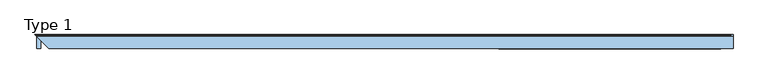
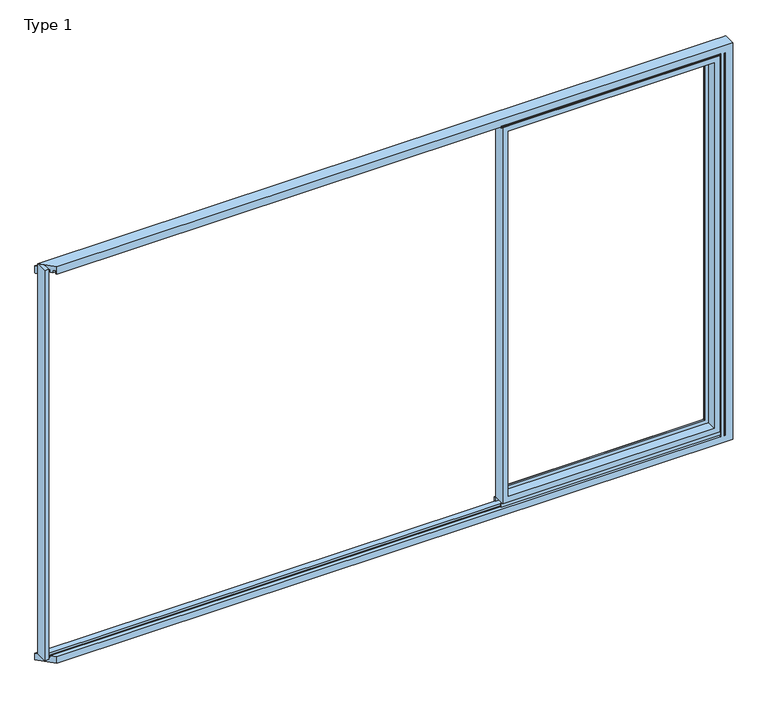
"""IFC4 building model written with IfcOpenShell, lengths in millimetres: window geometry, Type 1."""

from ifc_helpers import new_model, si_unit, point, frame, frame_2d, origin, origin_with_axes, place, context, project, spatial, polyline, circle_curve, ellipse_curve, trimmed, segment, composite_curve, outline, extrude, source, transform, mapped, element, save
from ifc_brep_helpers import plane_surface, cylinder_surface, advanced_brep


def type_1_49c6fb87(model_context):
    return source(origin(), model_context, "Body", "SolidModel", [
        advanced_brep(
        [(1912.8, -70.0, 2337.0), (1912.8, -70.0, 34.0), (1912.8, 0.0, 34.0), (1912.8, 0.0, 2337.0), (654.4, -70.0, 34.0), (654.4, 0.0, 34.0), (654.4, 0.0, 2337.0), (703.8991901, 0.0, 83.4991901), (1863.3008099, 0.0, 83.4991901), (1863.3008099, 0.0, 2287.5008099), (703.8991901, 0.0, 2287.5008099), (654.4, -70.0, 2337.0), (1880.8, -70.0, 66.0), (686.4, -70.0, 66.0), (686.4, -70.0, 2305.0), (1880.8, -70.0, 2305.0), (1880.8, -13.999939, 2305.0), (1880.8, -13.999939, 66.0), (686.4, -13.999939, 66.0), (686.4, -13.999939, 2305.0), (1858.8004272, -13.999939, 87.9995728), (708.3995728, -13.999939, 87.9995728), (708.3995728, -13.999939, 2283.0004272), (1858.8004272, -13.999939, 2283.0004272), (1858.8004272, -4.5004435, 2283.0004272), (1858.8004272, -4.5004435, 87.9995728), (708.3995728, -4.5004435, 87.9995728), (708.3995728, -4.5004435, 2283.0004272)],
        [
            (0, 1),
            (1, 2),
            (2, 3),
            (3, 0),
            (1, 4),
            (4, 5),
            (5, 2),
            (5, 6),
            (6, 3),
            (7, 8),
            (8, 9),
            (9, 10),
            (10, 7),
            (4, 11),
            (11, 6),
            (0, 11),
            (12, 13),
            (13, 14),
            (14, 15),
            (15, 12),
            (16, 17),
            (17, 12),
            (15, 16),
            (17, 18),
            (18, 13),
            (18, 19),
            (19, 14),
            (16, 19),
            (20, 21),
            (21, 22),
            (22, 23),
            (23, 20),
            (24, 25),
            (25, 20),
            (23, 24),
            (25, 26),
            (26, 21),
            (26, 27),
            (27, 22),
            (7, 26, ellipse_curve(frame((703.8991901, -4.5004435, 83.4991901), z_axis=(0.7071067811865475, 0.0, -0.7071067811865475), x_axis=(0.7071067811865476, 0.0, 0.7071067811865474)), 6.3645023, 4.5003827)),
            (25, 8, ellipse_curve(frame((1863.3008099, -4.5004435, 83.4991901), z_axis=(-0.7071067811865475, 0.0, -0.7071067811865475), x_axis=(0.7071067811865476, 0.0, -0.7071067811865474)), 6.3645023, 4.5003827)),
            (24, 9, ellipse_curve(frame((1863.3008099, -4.5004435, 2287.5008099), z_axis=(0.7071067811865475, 0.0, -0.7071067811865475), x_axis=(0.7071067811865474, 0.0, 0.7071067811865476)), 6.3645023, 4.5003827)),
            (10, 27, ellipse_curve(frame((703.8991901, -4.5004435, 2287.5008099), z_axis=(-0.7071067811865475, 0.0, -0.7071067811865475), x_axis=(0.7071067811865474, 0.0, -0.7071067811865476)), 6.3645023, 4.5003827)),
            (27, 24),
        ],
        [
            plane_surface(frame((1912.8, 0.0, 2337.0), z_axis=(1.0, 0.0, 0.0), x_axis=(0.0, 0.0, -1.0))),
            plane_surface(frame((1912.8, 0.0, 34.0), z_axis=(0.0, 0.0, -1.0), x_axis=(-1.0, 0.0, 0.0))),
            plane_surface(frame((1863.3008099, 0.0, 2287.5008099), z_axis=(0.0, 1.0, 0.0), x_axis=(0.0, 0.0, -1.0))),
            plane_surface(frame((654.4, 0.0, 34.0), z_axis=(-1.0, 0.0, 0.0), x_axis=(0.0, 0.0, 1.0))),
            plane_surface(frame((1912.8, -70.0, 2337.0), z_axis=(0.0, -1.0, 0.0), x_axis=(0.0, 0.0, -1.0))),
            plane_surface(frame((1880.8, -70.0, 2305.0), z_axis=(-1.0, 0.0, 0.0), x_axis=(0.0, 0.0, -1.0))),
            plane_surface(frame((1880.8, -70.0, 66.0), z_axis=(0.0, 0.0, 1.0), x_axis=(-1.0, 0.0, 0.0))),
            plane_surface(frame((686.4, -70.0, 66.0), z_axis=(1.0, 0.0, 0.0), x_axis=(0.0, 0.0, 1.0))),
            plane_surface(frame((1880.8, -13.999939, 2305.0), z_axis=(0.0, -1.0, 0.0), x_axis=(0.0, 0.0, -1.0))),
            plane_surface(frame((1858.8004272, -13.999939, 2283.0004272), z_axis=(-1.0, 0.0, 0.0), x_axis=(0.0, 0.0, -1.0))),
            plane_surface(frame((1858.8004272, -13.999939, 87.9995728), z_axis=(0.0, 0.0, 1.0), x_axis=(-1.0, 0.0, 0.0))),
            plane_surface(frame((708.3995728, -13.999939, 87.9995728), z_axis=(1.0, 0.0, 0.0), x_axis=(0.0, 0.0, 1.0))),
            cylinder_surface(frame((1918.8, -4.5004435, 83.4991901), z_axis=(1.0, 0.0, 0.0), x_axis=(0.0, -1.0, 0.0)), 4.5003827),
            cylinder_surface(frame((1863.3008099, -4.5004435, 2343.0), z_axis=(0.0, 0.0, 1.0), x_axis=(0.0, -1.0, 0.0)), 4.5003827),
            cylinder_surface(frame((703.8991901, -4.5004435, 28.0), z_axis=(0.0, 0.0, -1.0), x_axis=(0.0, -1.0, 0.0)), 4.5003827),
            plane_surface(frame((654.4, 0.0, 2337.0), z_axis=(0.0, 0.0, 1.0), x_axis=(1.0, 0.0, 0.0))),
            plane_surface(frame((686.4, -70.0, 2305.0), z_axis=(0.0, 0.0, -1.0), x_axis=(1.0, 0.0, 0.0))),
            plane_surface(frame((708.3995728, -13.999939, 2283.0004272), z_axis=(0.0, 0.0, -1.0), x_axis=(1.0, 0.0, 0.0))),
            cylinder_surface(frame((648.4, -4.5004435, 2287.5008099), z_axis=(-1.0, 0.0, 0.0), x_axis=(0.0, -1.0, 0.0)), 4.5003827),
        ],
        [
            (0, [[1, 2, 3, 4]]),
            (1, [[5, 6, 7, -2]]),
            (2, [[-7, 8, 9, -3], [10, 11, 12, 13]]),
            (3, [[14, 15, -8, -6]]),
            (4, [[-5, -1, 16, -14], [17, 18, 19, 20]]),
            (5, [[21, 22, -20, 23]]),
            (6, [[24, 25, -17, -22]]),
            (7, [[26, 27, -18, -25]]),
            (8, [[-24, -21, 28, -26], [29, 30, 31, 32]]),
            (9, [[33, 34, -32, 35]]),
            (10, [[36, 37, -29, -34]]),
            (11, [[38, 39, -30, -37]]),
            (12, [[-10, 40, -36, 41]]),
            (13, [[-11, -41, -33, 42]]),
            (14, [[-13, 43, -38, -40]]),
            (15, [[-16, -4, -9, -15]]),
            (16, [[-28, -23, -19, -27]]),
            (17, [[44, -35, -31, -39]]),
            (18, [[-12, -42, -44, -43]]),
        ],
    ),
        extrude(outline(polyline([(1918.8, -7.6000076), (648.4, -7.6000076), (648.4, 0.0), (1918.8, 0.0), (1918.8, -7.6000076)])), frame((0.0, 0.0, 12.0), z_axis=(0.0, 0.0, 1.0), x_axis=(1.0, 0.0, 0.0)), (0.0, 0.0, 1.0), 22.0),
        extrude(outline(polyline([(1918.8, -70.0), (648.4, -70.0), (648.4, -62.2757497), (1918.8, -62.2757497), (1918.8, -70.0)])), frame((0.0, 0.0, 12.0), z_axis=(0.0, 0.0, 1.0), x_axis=(1.0, 0.0, 0.0)), (0.0, 0.0, 1.0), 22.0),
        extrude(outline(composite_curve([segment(polyline([(-52.044326, 2339.1400778), (-52.044326, 2337.0), (-70.0, 2337.0), (-71.8735116, 2343.9547971)]), True, "CONTINUOUS"), segment(trimmed(circle_curve(frame_2d((-69.9423544, 2344.4750201)), 2.0), [point((-71.8735116, 2343.9547971))], [point((-71.8738669, 2344.9939222))], False, "CARTESIAN"), True, "CONTINUOUS"), segment(polyline([(-71.8738669, 2344.9939222), (-70.8937897, 2348.6420698), (-70.0, 2348.6420698), (-70.0, 2342.963961), (-68.6363596, 2339.1400778), (-52.044326, 2339.1400778)]), True, "CONTINUOUS")], self_intersect=False)), frame((648.4, 0.0, 0.0), z_axis=(1.0, 0.0, 0.0), x_axis=(0.0, 1.0, 0.0)), (0.0, 0.0, 1.0), 1270.4),
        advanced_brep(
        [(1940.0003662, -66.4999084, 2345.0), (1940.0003662, -66.4999084, 0.0), (1945.0, -66.4999084, 0.0007157), (1945.0, -66.4999084, 2345.0), (1940.0003662, -70.0, 2345.0), (1940.0003662, -70.0, 0.0), (1918.7961345, -70.0, 0.0), (1918.7961345, -70.0, 2345.0), (1918.7961345, -66.5, 2345.0), (1918.7961345, -66.5, 2365.9997864), (1918.7961345, -55.8499756, 2365.9997864), (1918.7961345, -55.8499756, 2349.000061), (1918.7961345, -46.25, 2349.000061), (1918.7961345, -46.25, 2365.9997864), (1918.7961345, -23.7500839, 2365.9997864), (1918.7961345, -23.7500839, 2349.000061), (1918.7961345, -14.1501312, 2349.000061), (1918.7961345, -14.1501312, 2365.9997864), (1918.7961345, 0.0, 2365.9997864), (1918.7961345, 0.0, 2330.0000916), (1918.7961345, 0.0, 0.0), (1918.7961345, -23.7500783, 0.0007157), (1918.7961345, -46.249995, 0.0007157), (1930.0000916, 0.0, 2330.0000916), (1930.0000916, 0.0, 0.0), (1990.0, -23.7493391, 0.0), (1990.0, -46.2493391, 0.0), (1990.0, 0.0, 0.0), (1990.0, 0.0, 2390.0), (1990.0, -70.0, 2390.0), (1990.0, -70.0, -40.0), (1990.0, 9.9999847, -40.0), (1990.0, 9.9999847, 0.0007157), (1990.0, -23.7493391, -13.4), (1990.0, -46.2493391, -13.4), (-1930.0005233, -70.0, 2345.0), (-1930.0005233, -70.0, 0.0006977), (-1930.0005233, -70.0, -40.0), (-1930.0005233, -70.0, 2390.0), (1945.0, -70.0, 2345.0), (1945.0, -70.0, 0.0), (-1953.7511715, -46.2493518, 0.0007157), (-1953.7505233, -46.25, -13.4), (-1976.2511842, -23.7493391, -13.4), (-1976.2504393, -23.7500839, 0.0007061), (-2010.000508, 9.9999847, 0.0007157), (-2010.000508, 9.9999847, -40.0), (-2000.0005233, 0.0, 2390.0), (-2000.0005233, 0.0, 2377.999939), (-2005.500508, 5.4999847, 2377.999939), (-2010.000508, 9.9999847, 2373.499939), (-2010.000508, 9.9999847, 2332.5000916), (-2007.500508, 7.4999847, 2330.0000916), (-2000.0005233, 0.0, 2330.0000916), (-2000.0005233, 0.0, 2365.9997864), (-1985.850392, -14.1501312, 2365.9997864), (-1985.850392, -14.1501312, 2349.000061), (-1976.2504393, -23.7500839, 2349.000061), (-1976.2504393, -23.7500839, 2365.9997864), (-1953.7505233, -46.25, 2365.9997864), (-1953.7505233, -46.25, 2349.000061), (-1944.1505477, -55.8499756, 2349.000061), (-1944.1505477, -55.8499756, 2365.9997864), (-1933.5005233, -66.5, 2365.9997864), (-1933.5005233, -66.5, 2345.0), (1932.5000916, 9.9999847, 0.0), (1932.5000916, 9.9999847, 2332.5000916), (1973.499939, 9.9999847, 2373.499939), (1973.499939, 9.9999847, 0.0), (1977.999939, 5.4999847, 2377.999939), (1977.999939, 5.4999847, 0.0), (1977.999939, 0.0, 2377.999939), (1977.999939, 0.0, 0.0), (1965.9997864, 0.0, 2377.999939), (1918.7961345, 0.0, 2377.999939), (1918.7961345, 0.0, 2390.0), (1965.9997864, 0.0, 2390.0), (1930.0000916, 7.4999847, 0.0), (1930.0000916, 7.4999847, 2330.0000916)],
        [
            (0, 1),
            (1, 2),
            (2, 3),
            (3, 0),
            (0, 4),
            (4, 5),
            (5, 1),
            (6, 7),
            (7, 8),
            (8, 9),
            (9, 10),
            (10, 11),
            (11, 12),
            (12, 13),
            (13, 14),
            (14, 15),
            (15, 16),
            (16, 17),
            (17, 18),
            (18, 19),
            (19, 20),
            (20, 21),
            (21, 22),
            (22, 6),
            (19, 23),
            (23, 24),
            (24, 20),
            (25, 26),
            (26, 22),
            (21, 25),
            (27, 28),
            (28, 29),
            (29, 30),
            (30, 31),
            (31, 32),
            (32, 27),
            (25, 33),
            (33, 34),
            (34, 26),
            (35, 7),
            (6, 36),
            (36, 37),
            (37, 30),
            (29, 38),
            (38, 35),
            (39, 40),
            (40, 5),
            (4, 39),
            (39, 3),
            (2, 40),
            (36, 41),
            (41, 42),
            (42, 43),
            (43, 44),
            (44, 45),
            (45, 46),
            (46, 37),
            (47, 48),
            (48, 49),
            (49, 50, ellipse_curve(frame((-2005.500508, 5.4999847, 2373.499939), z_axis=(-0.7071067811865475, -0.7071067811865476, 0.0), x_axis=(0.7071067811865476, -0.7071067811865475, 0.0)), 6.363961, 4.5)),
            (50, 51),
            (51, 52, ellipse_curve(frame((-2007.500508, 7.4999847, 2332.5000916), z_axis=(-0.7071067811865475, -0.7071067811865476, 0.0), x_axis=(0.7071067811865476, -0.7071067811865475, 0.0)), 3.5355339, 2.5)),
            (52, 53),
            (53, 54),
            (54, 55),
            (55, 56),
            (56, 57),
            (57, 58),
            (58, 59),
            (59, 60),
            (60, 61),
            (61, 62),
            (62, 63),
            (63, 64),
            (64, 35),
            (38, 47),
            (65, 66),
            (66, 51),
            (50, 67),
            (67, 68),
            (68, 32),
            (31, 46),
            (45, 65),
            (67, 69, ellipse_curve(frame((1973.499939, 5.4999847, 2373.499939), z_axis=(0.7071067811865422, 0.0, -0.7071067811865527), x_axis=(-0.7071067811865525, 0.0, -0.7071067811865425)), 6.363961, 4.5)),
            (69, 70),
            (70, 68, circle_curve(frame((1973.499939, 5.4999847, 0.0007157), z_axis=(0.0, 0.0, 1.0), x_axis=(-1.0, 0.0, 0.0)), 4.5)),
            (71, 72),
            (72, 70),
            (69, 71),
            (71, 73),
            (73, 74),
            (74, 48),
            (47, 75),
            (75, 76),
            (76, 28),
            (27, 72),
            (22, 41),
            (59, 13),
            (12, 60),
            (34, 42),
            (33, 43),
            (57, 15),
            (14, 58),
            (21, 44),
            (55, 17),
            (16, 56),
            (53, 19),
            (18, 54),
            (77, 78),
            (78, 66, ellipse_curve(frame((1932.5000916, 7.4999847, 2332.5000916), z_axis=(0.7071067811865422, 0.0, -0.7071067811865527), x_axis=(-0.7071067811865525, 0.0, -0.7071067811865425)), 3.5355339, 2.5)),
            (65, 77, circle_curve(frame((1932.5000916, 7.4999847, 0.0007157), z_axis=(0.0, 0.0, 1.0), x_axis=(-1.0, 0.0, 0.0)), 2.5)),
            (23, 78),
            (77, 24),
            (69, 49),
            (64, 8),
            (63, 9),
            (62, 10),
            (61, 11),
            (52, 78),
        ],
        [
            plane_surface(frame((1940.0003662, -66.4999084, 2390.0), z_axis=(0.0, -1.0, 0.0), x_axis=(0.0, 0.0, -1.0))),
            plane_surface(frame((1940.0003662, -70.0, 2390.0), z_axis=(1.0, 0.0, 0.0), x_axis=(0.0, 0.0, -1.0))),
            plane_surface(frame((1918.7961345, 0.0, 2390.0), z_axis=(-1.0, 0.0, 0.0), x_axis=(0.0, 0.0, -1.0))),
            plane_surface(frame((1965.9997864, 0.0, 2390.0), z_axis=(0.0, 1.0, 0.0), x_axis=(0.0, 0.0, -1.0))),
            plane_surface(frame((1990.0, -70.0, 0.0), z_axis=(0.0, 0.0, -1.0), x_axis=(0.0, -1.0, 0.0))),
            plane_surface(frame((1990.0, 0.0, 0.0), z_axis=(1.0, 0.0, 0.0), x_axis=(0.0, 0.0, 1.0))),
            plane_surface(frame((1990.0, -70.0, 0.0), z_axis=(0.0, -1.0, 0.0), x_axis=(0.0, 0.0, 1.0))),
            plane_surface(frame((1945.0, -70.0, 0.0), z_axis=(-1.0, 0.0, 0.0), x_axis=(0.0, 0.0, 1.0))),
            plane_surface(frame((-1904.5411078, -95.4594155, 2390.0), z_axis=(-0.7071067811865475, -0.7071067811865476, 0.0), x_axis=(0.0, 0.0, -1.0))),
            plane_surface(frame((1932.5000916, 9.9999847, 0.0), z_axis=(0.0, 1.0, 0.0), x_axis=(0.0, 0.0, 1.0))),
            cylinder_surface(frame((1973.499939, 5.4999847, 0.0), z_axis=(0.0, 0.0, -1.0), x_axis=(-1.0, 0.0, 0.0)), 4.5),
            plane_surface(frame((1977.999939, 5.4999847, 0.0), z_axis=(1.0, 0.0, 0.0), x_axis=(0.0, 0.0, 1.0))),
            plane_surface(frame((1977.999939, 0.0, 0.0), z_axis=(0.0, 1.0, 0.0), x_axis=(0.0, 0.0, 1.0))),
            plane_surface(frame((1990.0, -46.2493391, 0.0007157), z_axis=(0.0, 0.0, 1.0), x_axis=(-1.0, 0.0, 0.0))),
            plane_surface(frame((1949.000061, -46.25, 0.0), z_axis=(0.0, 1.0, 0.0), x_axis=(0.0, 0.0, 1.0))),
            plane_surface(frame((1990.0, -23.7493391, -13.4), z_axis=(0.0, 0.0, 1.0), x_axis=(-1.0, 0.0, 0.0))),
            plane_surface(frame((1965.9997864, -23.7500839, 0.0), z_axis=(0.0, -1.0, 0.0), x_axis=(0.0, 0.0, 1.0))),
            plane_surface(frame((1949.000061, -14.1501312, 0.0), z_axis=(0.0, 1.0, 0.0), x_axis=(0.0, 0.0, 1.0))),
            plane_surface(frame((1965.9997864, 0.0, 0.0), z_axis=(0.0, -1.0, 0.0), x_axis=(0.0, 0.0, 1.0))),
            cylinder_surface(frame((1932.5000916, 7.4999847, 0.0), z_axis=(0.0, 0.0, -1.0), x_axis=(-1.0, 0.0, 0.0)), 2.5),
            plane_surface(frame((1930.0000916, 0.0, 0.0), z_axis=(-1.0, 0.0, 0.0), x_axis=(0.0, 0.0, 1.0))),
            plane_surface(frame((1977.999939, 5.4999847, 2377.999939), z_axis=(0.0, 0.0, 1.0), x_axis=(-1.0, 0.0, 0.0))),
            plane_surface(frame((1990.0, 0.0, 2390.0), z_axis=(0.0, 0.0, 1.0), x_axis=(-1.0, 0.0, 0.0))),
            plane_surface(frame((1945.0, -70.0, 2345.0), z_axis=(0.0, 0.0, -1.0), x_axis=(-1.0, 0.0, 0.0))),
            plane_surface(frame((1945.0, -66.5, 0.0), z_axis=(0.0, 1.0, 0.0), x_axis=(0.0, 0.0, 1.0))),
            plane_surface(frame((1965.9997864, -66.5, 2365.9997864), z_axis=(0.0, 0.0, -1.0), x_axis=(-1.0, 0.0, 0.0))),
            plane_surface(frame((1965.9997864, -55.8499756, 0.0), z_axis=(0.0, -1.0, 0.0), x_axis=(0.0, 0.0, 1.0))),
            plane_surface(frame((1949.000061, -55.8499756, 2349.000061), z_axis=(0.0, 0.0, -1.0), x_axis=(-1.0, 0.0, 0.0))),
            plane_surface(frame((1965.9997864, -46.25, 2365.9997864), z_axis=(0.0, 0.0, -1.0), x_axis=(-1.0, 0.0, 0.0))),
            plane_surface(frame((1949.000061, -23.7500839, 2349.000061), z_axis=(0.0, 0.0, -1.0), x_axis=(-1.0, 0.0, 0.0))),
            plane_surface(frame((1965.9997864, -14.1501312, 2365.9997864), z_axis=(0.0, 0.0, -1.0), x_axis=(-1.0, 0.0, 0.0))),
            plane_surface(frame((1930.0000916, 0.0, 2330.0000916), z_axis=(0.0, 0.0, -1.0), x_axis=(-1.0, 0.0, 0.0))),
            cylinder_surface(frame((1990.0, 7.4999847, 2332.5000916), z_axis=(1.0, 0.0, 0.0), x_axis=(0.0, 0.0, -1.0)), 2.5),
            cylinder_surface(frame((1990.0, 5.4999847, 2373.499939), z_axis=(1.0, 0.0, 0.0), x_axis=(0.0, 0.0, -1.0)), 4.5),
            plane_surface(frame((1990.0, -70.0, -40.0), z_axis=(0.0, 0.0, -1.0), x_axis=(-1.0, 0.0, 0.0))),
            plane_surface(frame((1990.0, 9.9999847, 0.0007157), z_axis=(0.0, 0.0, 1.0), x_axis=(-1.0, 0.0, 0.0))),
        ],
        [
            (0, [[1, 2, 3, 4]]),
            (1, [[-1, 5, 6, 7]]),
            (2, [[8, 9, 10, 11, 12, 13, 14, 15, 16, 17, 18, 19, 20, 21, 22, 23, 24]]),
            (3, [[-21, 25, 26, 27]]),
            (4, [[28, 29, -23, 30]]),
            (5, [[31, 32, 33, 34, 35, 36], [37, 38, 39, -28]]),
            (6, [[40, -8, 41, 42, 43, -33, 44, 45], [46, 47, -6, 48]]),
            (7, [[-46, 49, -3, 50]]),
            (8, [[-42, 51, 52, 53, 54, 55, 56, 57]]),
            (8, [[58, 59, 60, 61, 62, 63, 64, 65, 66, 67, 68, 69, 70, 71, 72, 73, 74, 75, -45, 76]]),
            (9, [[77, 78, -61, 79, 80, 81, -35, 82, -56, 83]]),
            (10, [[-80, 84, 85, 86]]),
            (11, [[87, 88, -85, 89]]),
            (12, [[-87, 90, 91, 92, -58, 93, 94, 95, -31, 96]]),
            (13, [[-50, -2, -7, -47]]),
            (13, [[-51, -41, -24, 97]]),
            (14, [[-70, 98, -14, 99]]),
            (14, [[-29, -39, 100, -52, -97]]),
            (15, [[-38, 101, -53, -100]]),
            (16, [[-68, 102, -16, 103]]),
            (16, [[-37, -30, 104, -54, -101]]),
            (17, [[-66, 105, -18, 106]]),
            (18, [[-64, 107, -20, 108]]),
            (19, [[109, 110, -77, 111]]),
            (20, [[112, -109, 113, -26]]),
            (21, [[-89, 114, -59, -92, -91, -90]]),
            (22, [[-44, -32, -95, -94, -93, -76]]),
            (23, [[-49, -48, -5, -4]]),
            (23, [[-75, 115, -9, -40]]),
            (24, [[-74, 116, -10, -115]]),
            (25, [[-73, 117, -11, -116]]),
            (26, [[-72, 118, -12, -117]]),
            (27, [[-71, -99, -13, -118]]),
            (28, [[-69, -103, -15, -98]]),
            (29, [[-67, -106, -17, -102]]),
            (30, [[-65, -108, -19, -105]]),
            (31, [[-112, -25, -107, -63, 119]]),
            (32, [[-110, -119, -62, -78]]),
            (33, [[-84, -79, -60, -114]]),
            (34, [[-34, -43, -57, -82]]),
            (35, [[-113, -111, -83, -55, -104, -22, -27]]),
            (35, [[-36, -81, -86, -88, -96]]),
        ],
    ),
        extrude(outline(polyline([(-1977.0, 0.0), (-1977.0, -70.0), (-2000.0, -70.0), (-2000.0, 0.0), (-1977.0, 0.0)])), origin_with_axes(), (0.0, 0.0, 1.0), 2390.0),
    ])


if __name__ == "__main__":
    model = new_model("IFC4")
    model_context = context("Model", 3, world=origin())
    ifc_project = project(units=[si_unit("LENGTHUNIT", "METRE", prefix="MILLI")], contexts=[model_context])
    site = spatial("IfcSite", under=ifc_project)
    building = spatial("IfcBuilding", under=site)
    placement = place(None, origin())
    type_1_shape = type_1_49c6fb87(model_context)
    element("IfcWindow", 1, ObjectType="Type 1", at=placement, inside=building, context=model_context, shape_type="MappedRepresentation", body=[
        mapped(type_1_shape, transform((0.0, 0.0, 0.0), x_axis=(1.0, 0.0, 0.0), y_axis=(0.0, 1.0, 0.0), z_axis=(0.0, 0.0, 1.0))),
    ])
    save(model, "model.ifc")
